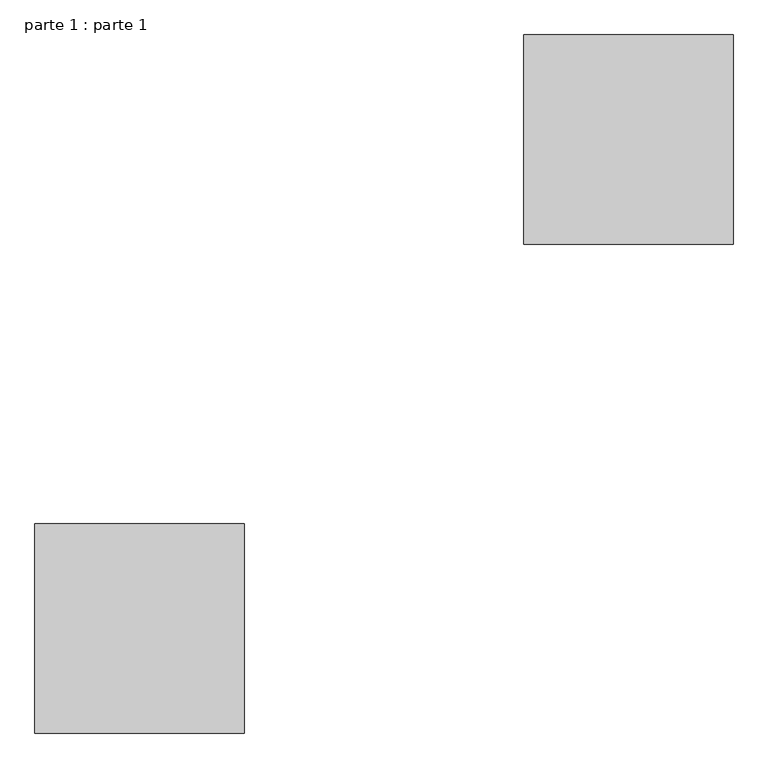
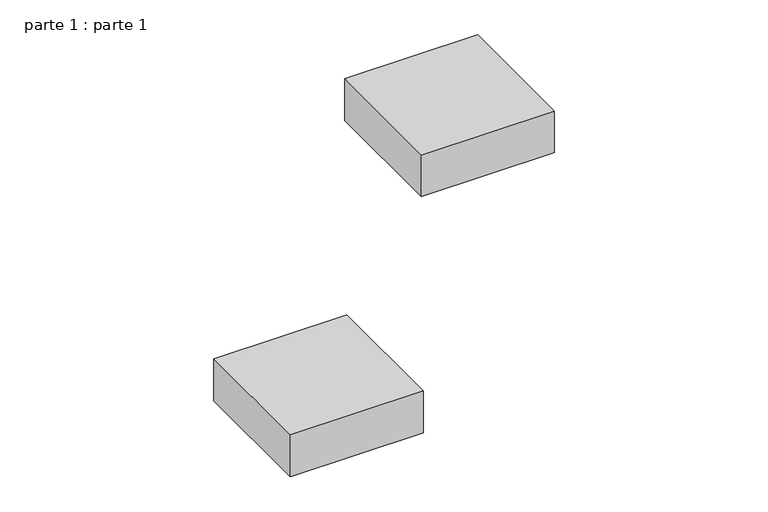
"""IFC4 building model written with IfcOpenShell, lengths in millimetres: proxy geometry, parte 1 : parte 1."""

import ifcopenshell
import ifcopenshell.guid

model = None  # the IFC model being written
_history = None  # IfcOwnerHistory: only IFC2X3 demands one
_inside = {}  # id of a spatial element -> (the spatial element, [elements in it])
_under = {}  # id of a project, library or spatial element -> (it, [spatial elements below it])
_declared = {}  # id of a project -> (the project, [libraries it declares])
_typed = {}  # id of a type object -> (the type object, [elements of that type])
_made_of = {}  # id of a material, layer set ... -> (it, [elements and type objects made of it])


def new_model(schema):
    """Start an empty IFC model of exactly this schema.

    Asked for "IFC4X3", IfcOpenShell would pick the latest addendum, in which some entities
    have other attributes; the version numbers below select the first issue.
    IFC2X3 requires an IfcOwnerHistory on every rooted entity: one is made here for all.
    """
    global model, _history
    if schema == "IFC4X3":
        model = ifcopenshell.file(schema_version=(4, 3, 0, 0))
    else:
        model = ifcopenshell.file(schema=schema)
    _inside.clear()
    _under.clear()
    _declared.clear()
    _typed.clear()
    _made_of.clear()
    _history = None
    if model.schema == "IFC2X3":
        org = make("IfcOrganization", Name="unknown")
        user = make(
            "IfcPersonAndOrganization",
            ThePerson=make("IfcPerson", FamilyName="unknown"),
            TheOrganization=org,
        )
        app = make(
            "IfcApplication",
            ApplicationDeveloper=org,
            Version="unknown",
            ApplicationFullName="unknown",
            ApplicationIdentifier="unknown",
        )
        _history = make(
            "IfcOwnerHistory",
            OwningUser=user,
            OwningApplication=app,
            ChangeAction="ADDED",
            CreationDate=0,
        )
    return model


def make(cls, **values):
    """One entity of the class cls with the attributes given. An attribute that is None is left unset."""
    return model.create_entity(
        cls, **{name: value for name, value in values.items() if value is not None}
    )


def rooted(cls, **values):
    """An entity with a GlobalId (a new one), such as an element, a storey or a relation."""
    return make(cls, GlobalId=ifcopenshell.guid.new(), OwnerHistory=_history, **values)


def si_unit(unit_type, name, prefix=None):
    """IfcSIUnit, for example si_unit("LENGTHUNIT", "METRE", prefix="MILLI")."""
    return make("IfcSIUnit", UnitType=unit_type, Prefix=prefix, Name=name)


def assignment(units):
    """IfcUnitAssignment: the units of a project."""
    return None if units is None else make("IfcUnitAssignment", Units=units)


def point(xyz):
    """IfcCartesianPoint."""
    return None if xyz is None else make("IfcCartesianPoint", Coordinates=xyz)


def direction(xyz):
    """IfcDirection."""
    return None if xyz is None else make("IfcDirection", DirectionRatios=xyz)


def frame(location, z_axis=None, x_axis=None):
    """IfcAxis2Placement3D, a coordinate frame: its origin and axes. An axis left out is left unset."""
    return make(
        "IfcAxis2Placement3D",
        Location=point(location),
        Axis=direction(z_axis),
        RefDirection=direction(x_axis),
    )


def origin():
    """The frame at (0, 0, 0) with its axes left unset."""
    return frame((0.0, 0.0, 0.0))


def place(relative_to, where):
    """IfcLocalPlacement: puts the frame where relative to a parent placement (None: the world)."""
    return make(
        "IfcLocalPlacement", PlacementRelTo=relative_to, RelativePlacement=where
    )


def context(
    kind, dimensions, precision=None, world=None, true_north=None, identifier=None
):
    """IfcGeometricRepresentationContext, for example the 3D "Model" context."""
    return make(
        "IfcGeometricRepresentationContext",
        ContextIdentifier=identifier,
        ContextType=kind,
        CoordinateSpaceDimension=dimensions,
        Precision=precision,
        WorldCoordinateSystem=world,
        TrueNorth=true_north,
    )


def project(units=None, contexts=None):
    """IfcProject with its units and contexts."""
    return rooted(
        "IfcProject",
        Name="project",
        RepresentationContexts=contexts,
        UnitsInContext=assignment(units),
    )


def spatial(cls, under=None, at=None, **own):
    """A site, building, storey or space (cls), placed at a placement, below another one or the project."""
    s = rooted(cls, ObjectPlacement=at, **own)
    if under is not None:
        _under.setdefault(under.id(), (under, []))[1].append(s)
    return s


def polyline(points):
    """IfcPolyline through the points."""
    return make("IfcPolyline", Points=[point(p) for p in points])


def outline(outer, holes=None, kind="AREA"):
    """IfcArbitraryClosedProfileDef: a profile drawn as a closed curve; with holes, ...WithVoids."""
    if holes is None:
        return make("IfcArbitraryClosedProfileDef", ProfileType=kind, OuterCurve=outer)
    return make(
        "IfcArbitraryProfileDefWithVoids",
        ProfileType=kind,
        OuterCurve=outer,
        InnerCurves=holes,
    )


def extrude(swept, where, along, depth):
    """IfcExtrudedAreaSolid: the profile swept, set in the frame where, extruded along a direction by depth."""
    return make(
        "IfcExtrudedAreaSolid",
        SweptArea=swept,
        Position=where,
        ExtrudedDirection=direction(along),
        Depth=depth,
    )


def shape(context_of_items, identifier, shape_type, items):
    """IfcShapeRepresentation: the items that make up one representation, for example the "Body"."""
    return make(
        "IfcShapeRepresentation",
        ContextOfItems=context_of_items,
        RepresentationIdentifier=identifier,
        RepresentationType=shape_type,
        Items=items,
    )


def source(mapping_origin, context_of_items, identifier, shape_type, items):
    """IfcRepresentationMap: a shape defined once, which mapped items show again and again."""
    return make(
        "IfcRepresentationMap",
        MappingOrigin=mapping_origin,
        MappedRepresentation=shape(context_of_items, identifier, shape_type, items),
    )


def transform(
    local_origin,
    x_axis=None,
    y_axis=None,
    z_axis=None,
    scale=None,
    scale2=None,
    scale3=None,
    uniform=True,
):
    """IfcCartesianTransformationOperator3D, or its non-uniform kind. x_axis, y_axis, z_axis: its Axis1, 2, 3."""
    if uniform:
        return make(
            "IfcCartesianTransformationOperator3D",
            Axis1=direction(x_axis),
            Axis2=direction(y_axis),
            LocalOrigin=point(local_origin),
            Scale=scale,
            Axis3=direction(z_axis),
        )
    return make(
        "IfcCartesianTransformationOperator3DnonUniform",
        Axis1=direction(x_axis),
        Axis2=direction(y_axis),
        LocalOrigin=point(local_origin),
        Scale=scale,
        Axis3=direction(z_axis),
        Scale2=scale2,
        Scale3=scale3,
    )


def mapped(mapping_source, mapping_target):
    """IfcMappedItem: shows the shape of a source again, moved by a transform."""
    return make(
        "IfcMappedItem", MappingSource=mapping_source, MappingTarget=mapping_target
    )


def made_of(thing, what):
    """Note that an element or type object is made of a material, layer set ...; save() writes the relation."""
    if what is not None:
        _made_of.setdefault(what.id(), (what, []))[1].append(thing)
    return thing


def element(
    cls,
    number,
    at=None,
    inside=None,
    cuts=None,
    type_object=None,
    material=None,
    context=None,
    identifier="Body",
    shape_type=None,
    held_by="IfcProductDefinitionShape",
    body=None,
    shapes=None,
    **own,
):
    """One element of the class cls, such as IfcWall. Its Tag is "e" and its number.

    at: its placement. inside: the storey or other place that contains it. cuts: it is an
    opening in that element (IfcRelVoidsElement). A single representation is given by context,
    identifier, shape_type and body (its items); several are given by shapes. held_by: the class
    of the entity that holds the representations. save() writes the other relations.
    """
    e = rooted(cls, Tag="e%d" % number, ObjectPlacement=at, **own)
    if body is not None:
        shapes = [shape(context, identifier, shape_type, body)]
    if shapes is not None:
        e.Representation = make(held_by, Representations=shapes)
    if inside is not None:
        _inside.setdefault(inside.id(), (inside, []))[1].append(e)
    if cuts is not None:
        rooted(
            "IfcRelVoidsElement", RelatingBuildingElement=cuts, RelatedOpeningElement=e
        )
    if type_object is not None:
        _typed.setdefault(type_object.id(), (type_object, []))[1].append(e)
    return made_of(e, material)


def aggregate(whole, parts):
    """IfcRelAggregates: a whole, such as a stair, and the parts it consists of."""
    return rooted("IfcRelAggregates", RelatingObject=whole, RelatedObjects=parts)


def save(model, path):
    """Write the relations noted so far, then the file.

    IfcRelAggregates (storeys below a building ...), IfcRelContainedInSpatialStructure (elements
    in a storey), IfcRelDefinesByType, IfcRelAssociatesMaterial and IfcRelDeclares: one each for
    every whole, place, type object, material and project.
    """
    for whole, parts in _under.values():
        aggregate(whole, parts)
    for where, things in _inside.values():
        rooted(
            "IfcRelContainedInSpatialStructure",
            RelatedElements=things,
            RelatingStructure=where,
        )
    for kind, things in _typed.values():
        rooted("IfcRelDefinesByType", RelatedObjects=things, RelatingType=kind)
    for what, things in _made_of.values():
        rooted("IfcRelAssociatesMaterial", RelatedObjects=things, RelatingMaterial=what)
    for by, libraries in _declared.values():
        rooted("IfcRelDeclares", RelatingContext=by, RelatedDefinitions=libraries)
    model.write(path)


def parte_1_parte_1_8cf252df(model_context):
    return source(origin(), model_context, "Body", "SweptSolid", [
        extrude(outline(polyline([(1000.0, 1000.0), (1000.0, 700.0), (700.0, 700.0), (700.0, 1000.0), (1000.0, 1000.0)])), frame((0.0, 0.0, 800.0), z_axis=(0.0, 0.0, 1.0), x_axis=(1.0, 0.0, 0.0)), (0.0, 0.0, 1.0), 100.0),
        extrude(outline(polyline([(300.0, 0.0), (0.0, 0.0), (0.0, 300.0), (300.0, 300.0), (300.0, 0.0)])), frame((0.0, 0.0, 800.0), z_axis=(0.0, 0.0, 1.0), x_axis=(1.0, 0.0, 0.0)), (0.0, 0.0, 1.0), 100.0),
    ])


if __name__ == "__main__":
    model = new_model("IFC4")
    model_context = context("Model", 3, world=origin())
    ifc_project = project(units=[si_unit("LENGTHUNIT", "METRE", prefix="MILLI")], contexts=[model_context])
    site = spatial("IfcSite", under=ifc_project)
    building = spatial("IfcBuilding", under=site)
    placement = place(None, origin())
    parte_1_parte_1_shape = parte_1_parte_1_8cf252df(model_context)
    element("IfcBuildingElementProxy", 1, Name="parte 1 : parte 1", ObjectType="parte 1 : parte 1", at=placement, inside=building, context=model_context, shape_type="MappedRepresentation", body=[
        mapped(parte_1_parte_1_shape, transform((0.0, 0.0, 0.0), x_axis=(1.0, 0.0, 0.0), y_axis=(0.0, 1.0, 0.0), z_axis=(0.0, 0.0, 1.0))),
    ])
    save(model, "model.ifc")
